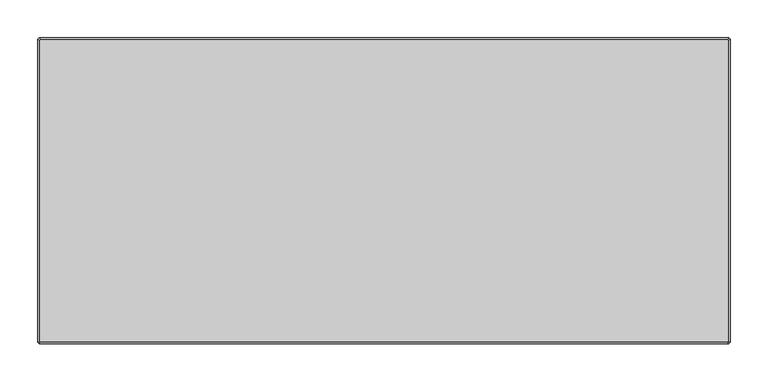
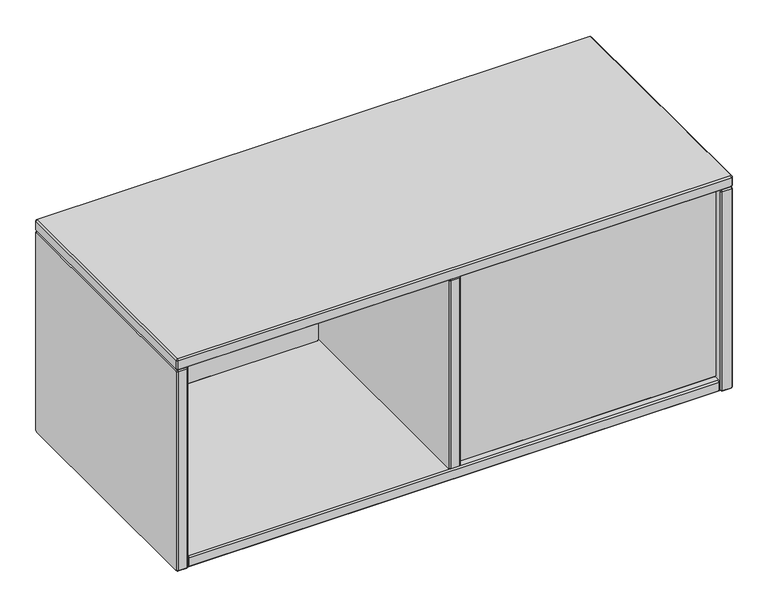
"""IFC4 building model written with IfcOpenShell, lengths in millimetres: furniture geometry."""

from ifc_helpers import new_model, si_unit, origin, place, context, project, spatial, faceted_brep, source, transform, mapped, element, save


def furniture_a7ba03a4(model_context):
    return source(origin(), model_context, "Body", "Brep", [
        faceted_brep([(468.629997, -211.044618, 1077.0882749), (470.6620027, -209.0126123, 1077.9299592), (471.5093, -209.0126135, 1077.0826604), (470.6676165, -211.044618, 1075.0506555), (470.6676165, -226.2846087, 1075.0506555), (468.629997, -226.2846087, 1077.0882749), (471.5093008, -228.3166144, 1077.0826612), (470.6620019, -228.3166132, 1077.9299584), (891.8344233, -209.0126135, 1077.08266), (892.6761077, -211.044618, 1075.0506555), (892.6761077, -226.2846087, 1075.0506555), (891.8344233, -228.3166144, 1077.0826612), (892.6830011, -209.0126135, 1077.9312373), (894.715006, -211.044618, 1077.0895538), (894.715006, -226.2846087, 1077.0895538), (892.6830003, -228.3166144, 1077.9312381), (892.6830014, -209.0126135, 1402.6848402), (894.715006, -211.044618, 1403.5265245), (894.715006, -226.2846087, 1403.5265245), (892.6830003, -228.3166144, 1402.6848402), (891.8357129, -209.0126135, 1403.5321292), (892.6773964, -211.044618, 1405.5641341), (892.6773964, -226.2846087, 1405.5641341), (891.8357121, -228.3166144, 1403.5321284), (471.508012, -209.0126135, 1403.5321295), (470.6663277, -211.044618, 1405.5641341), (470.6663277, -226.2846087, 1405.5641341), (471.508012, -228.3166144, 1403.5321284), (470.6620019, -209.0126135, 1402.6861198), (468.629997, -211.044618, 1403.5278034), (468.629997, -226.2846087, 1403.5278034), (470.6620027, -228.3166144, 1402.686119)], [[[0, 1, 2, 3]], [[0, 3, 4, 5]], [[5, 4, 6, 7]], [[3, 2, 8, 9]], [[4, 3, 9, 10]], [[6, 4, 10, 11]], [[9, 8, 12, 13]], [[10, 9, 13, 14]], [[11, 10, 14, 15]], [[13, 12, 16, 17]], [[14, 13, 17, 18]], [[15, 14, 18, 19]], [[17, 16, 20, 21]], [[18, 17, 21, 22]], [[19, 18, 22, 23]], [[21, 20, 24, 25]], [[22, 21, 25, 26]], [[23, 22, 26, 27]], [[25, 24, 28, 29]], [[26, 25, 29, 30]], [[27, 26, 30, 31]], [[1, 0, 29, 28]], [[0, 5, 30, 29]], [[5, 7, 31, 30]], [[2, 1, 28, 24, 20, 16, 12, 8]], [[7, 6, 11, 15, 19, 23, 27, 31]]]),
        faceted_brep([(19.684994, 148.8452595, 1077.0882749), (21.7169997, 150.8772652, 1077.9299592), (22.5642978, 150.8772652, 1077.0826612), (21.7226135, 148.8452595, 1075.0506555), (21.7226135, 133.6052689, 1075.0506555), (19.684994, 133.6052689, 1077.0882749), (22.5642978, 131.5732632, 1077.0826612), (21.7169981, 131.5732654, 1077.9299576), (446.4454203, 150.8772652, 1077.0826612), (447.2871047, 148.8452595, 1075.0506555), (447.2871047, 133.6052689, 1075.0506555), (446.4454203, 131.5732632, 1077.0826612), (447.2939973, 150.8772652, 1077.9312381), (449.326003, 148.8452595, 1077.0895538), (449.326003, 133.6052689, 1077.0895538), (447.2939973, 131.5732632, 1077.9312381), (447.2939973, 150.8772652, 1402.6848402), (449.326003, 148.8452595, 1403.5265245), (449.326003, 133.6052689, 1403.5265245), (447.2939973, 131.5732632, 1402.6848402), (446.4467091, 150.8772652, 1403.5321284), (447.2883934, 148.8452595, 1405.5641341), (447.2883934, 133.6052689, 1405.5641341), (446.4467091, 131.5732632, 1403.5321284), (22.5630091, 150.8772652, 1403.5321284), (21.7213247, 148.8452595, 1405.5641341), (21.7213247, 133.6052689, 1405.5641341), (22.5630091, 131.5732632, 1403.5321284), (21.7169997, 150.8772652, 1402.686119), (19.684994, 148.8452595, 1403.5278034), (19.684994, 133.6052689, 1403.5278034), (21.7169997, 131.5732632, 1402.686119)], [[[0, 1, 2, 3]], [[0, 3, 4, 5]], [[5, 4, 6, 7]], [[3, 2, 8, 9]], [[4, 3, 9, 10]], [[6, 4, 10, 11]], [[9, 8, 12, 13]], [[10, 9, 13, 14]], [[11, 10, 14, 15]], [[13, 12, 16, 17]], [[14, 13, 17, 18]], [[15, 14, 18, 19]], [[17, 16, 20, 21]], [[18, 17, 21, 22]], [[19, 18, 22, 23]], [[21, 20, 24, 25]], [[22, 21, 25, 26]], [[23, 22, 26, 27]], [[25, 24, 28, 29]], [[26, 25, 29, 30]], [[27, 26, 30, 31]], [[1, 0, 29, 28]], [[0, 5, 30, 29]], [[5, 7, 31, 30]], [[2, 1, 28, 24, 20, 16, 12, 8]], [[7, 6, 11, 15, 19, 23, 27, 31]]]),
        faceted_brep([(0.381, 160.1899826, 1403.5321289), (0.381, 161.0359948, 1402.6861167), (0.381, 161.0359948, 1060.6585981), (0.381, 158.1641576, 1057.7805146), (0.381, -237.6617899, 1057.7773915), (0.381, -238.507861, 1058.6234626), (0.381, -238.5047378, 1402.6861258), (0.381, -237.6587347, 1403.5321289), (19.6849994, 161.035991, 1402.6861129), (19.6849994, 160.1899788, 1403.5321251), (19.6849994, -237.6587347, 1403.5321235), (19.6849994, -238.504734, 1402.686122), (19.6849994, -238.5047325, 1058.6265857), (19.6849994, -237.6649092, 1057.7805184), (19.6849994, 158.1610344, 1057.7773968), (19.6849994, 161.0391141, 1060.6554788), (2.4130052, 163.068, 1403.5278008), (2.4130052, 161.0316667, 1405.5641341), (17.6529888, 161.0316667, 1405.5641341), (17.6529888, 163.068, 1403.5278008), (2.4130052, -238.5004189, 1405.5641341), (17.6529888, -238.5004189, 1405.5641341), (2.4130052, -240.5367431, 1403.5278099), (17.6529888, -240.5367431, 1403.5278099), (2.4130052, -240.5367431, 1057.7786553), (17.6529888, -240.5367431, 1057.7786553), (2.4130052, -238.503474, 1055.7453862), (17.6529888, -238.503474, 1055.7453862), (2.4130052, 159.0027185, 1055.7453862), (17.6529888, 159.0027185, 1055.7453862), (2.4130052, 163.068, 1059.8106677), (17.6529888, 163.068, 1059.8106677)], [[[0, 1, 2, 3, 4, 5, 6, 7]], [[8, 9, 10, 11, 12, 13, 14, 15]], [[16, 1, 0, 17]], [[16, 17, 18, 19]], [[19, 18, 9, 8]], [[17, 0, 7, 20]], [[18, 17, 20, 21]], [[9, 18, 21, 10]], [[20, 7, 6, 22]], [[21, 20, 22, 23]], [[10, 21, 23, 11]], [[22, 6, 5, 24]], [[23, 22, 24, 25]], [[11, 23, 25, 12]], [[24, 5, 4, 26]], [[25, 24, 26, 27]], [[12, 25, 27, 13]], [[26, 4, 3, 28]], [[27, 26, 28, 29]], [[13, 27, 29, 14]], [[28, 3, 2, 30]], [[29, 28, 30, 31]], [[14, 29, 31, 15]], [[1, 16, 30, 2]], [[16, 19, 31, 30]], [[19, 8, 15, 31]]]),
        faceted_brep([(468.6300073, 159.0039823, 1402.6861094), (468.6300073, 158.1579701, 1403.5321216), (468.6300073, -235.5967084, 1403.5321186), (468.6300073, -236.4427043, 1402.6854873), (468.6300073, -236.4420701, 1077.9256086), (468.6300073, -235.5994407, 1077.0829835), (468.6300073, 156.1290292, 1077.0826709), (468.6300073, 159.0039823, 1079.9576283), (449.3253716, 158.157531, 1403.5316824), (449.3253716, 159.0035431, 1402.6856703), (449.3253716, 159.0033582, 1079.957621), (449.3253716, 156.1285828, 1077.0831071), (449.3253716, -235.5991324, 1077.083292), (449.3253716, -236.4413183, 1077.9257395), (449.3253716, -236.441449, 1402.6861258), (449.3253716, -235.5959464, 1403.5313668), (451.3580082, 161.0359948, 1403.5278008), (451.3580082, 158.9996615, 1405.5641341), (466.5979918, 158.9996615, 1405.5641341), (466.5979918, 161.0359948, 1403.5278008), (451.3580082, -236.4377614, 1405.5641341), (466.5979918, -236.4377614, 1405.5641341), (451.3580082, -238.4740856, 1403.5278099), (466.5979918, -238.4740856, 1403.5278099), (451.3580082, -238.4740856, 1077.0839245), (466.5979918, -238.4740856, 1077.0839245), (451.3580082, -236.4408165, 1075.0506555), (466.5979918, -236.4408165, 1075.0506555), (451.3580082, 156.9707133, 1075.0506555), (466.5979918, 156.9707133, 1075.0506555), (451.3580082, 161.0359948, 1079.1159369), (466.5979918, 161.0359948, 1079.1159369)], [[[0, 1, 2, 3, 4, 5, 6, 7]], [[8, 9, 10, 11, 12, 13, 14, 15]], [[16, 9, 8, 17]], [[16, 17, 18, 19]], [[19, 18, 1, 0]], [[17, 8, 15, 20]], [[18, 17, 20, 21]], [[1, 18, 21, 2]], [[20, 15, 14, 22]], [[21, 20, 22, 23]], [[2, 21, 23, 3]], [[22, 14, 13, 24]], [[23, 22, 24, 25]], [[3, 23, 25, 4]], [[24, 13, 12, 26]], [[25, 24, 26, 27]], [[4, 25, 27, 5]], [[26, 12, 11, 28]], [[27, 26, 28, 29]], [[5, 27, 29, 6]], [[28, 11, 10, 30]], [[29, 28, 30, 31]], [[6, 29, 31, 7]], [[9, 16, 30, 10]], [[16, 19, 31, 30]], [[19, 0, 7, 31]]]),
        faceted_brep([(911.9869948, 163.0679927, 1403.5277978), (896.7470112, 163.0679927, 1403.5277978), (896.7470112, 161.0316637, 1405.5641268), (911.9869948, 161.0316637, 1405.5641268), (896.7470112, -238.5004158, 1405.5641268), (911.9869948, -238.5004158, 1405.5641268), (896.7470112, -240.5367358, 1403.5278069), (911.9869948, -240.5367358, 1403.5278069), (896.7470112, -240.5367358, 1057.7730446), (911.9869948, -240.5367358, 1057.7730446), (896.7470112, -238.503471, 1055.7397798), (911.9869948, -238.503471, 1055.7397798), (896.7470112, 159.0027155, 1055.7397798), (911.9869948, 159.0027155, 1055.7397798), (896.7470112, 163.0679927, 1059.805057), (911.9869948, 163.0679927, 1059.805057), (914.019, 160.1899796, 1403.5321216), (914.019, 161.0359875, 1402.6861137), (894.715006, 161.0359875, 1402.6861137), (894.7150097, 160.1899822, 1403.5321242), (914.019, -237.6587317, 1403.5321216), (894.7150097, -237.6587317, 1403.5321253), (914.019, -238.5047305, 1402.6861227), (894.7150097, -238.5047332, 1402.6861254), (914.019, -238.5047305, 1058.6147287), (894.7150097, -238.5047343, 1058.6147287), (914.019, -237.6617868, 1057.771785), (894.7150097, -237.6617895, 1057.7717824), (914.019, 158.1610314, 1057.771785), (894.7150097, 158.1610314, 1057.7717813), (914.019, 161.0359875, 1060.6467411), (894.7150097, 161.0359901, 1060.6467385)], [[[0, 1, 2, 3]], [[3, 2, 4, 5]], [[5, 4, 6, 7]], [[7, 6, 8, 9]], [[9, 8, 10, 11]], [[11, 10, 12, 13]], [[13, 12, 14, 15]], [[1, 0, 15, 14]], [[0, 3, 16, 17]], [[2, 1, 18, 19]], [[3, 5, 20, 16]], [[4, 2, 19, 21]], [[5, 7, 22, 20]], [[6, 4, 21, 23]], [[7, 9, 24, 22]], [[8, 6, 23, 25]], [[9, 11, 26, 24]], [[10, 8, 25, 27]], [[11, 13, 28, 26]], [[12, 10, 27, 29]], [[13, 15, 30, 28]], [[14, 12, 29, 31]], [[15, 0, 17, 30]], [[1, 14, 31, 18]], [[19, 18, 31, 29, 27, 25, 23, 21]], [[17, 16, 20, 22, 24, 26, 28, 30]]]),
        faceted_brep([(2.4142691, 160.1937872, 1405.5641341), (0.381, 161.0359948, 1407.5974031), (2.4130052, 163.068, 1407.5974031), (3.2552128, 161.0347309, 1405.5641341), (0.381, 161.0359948, 1422.8305205), (2.4142691, 160.1937872, 1424.8637895), (3.2552128, 161.0347309, 1424.8637895), (2.4130052, 163.068, 1422.8305205), (911.9869875, 163.068, 1407.5974031), (911.1447799, 161.0347309, 1405.5641341), (911.1447799, 161.0347309, 1424.8637895), (911.9869875, 163.068, 1422.8305205), (914.019, 161.0359875, 1407.5974031), (911.9857309, 160.1937799, 1405.5641341), (911.9857309, 160.1937799, 1424.8637895), (914.019, 161.0359875, 1422.8305205), (914.019, -238.5047363, 1407.5974031), (911.9857309, -237.6625286, 1405.5641341), (911.9857309, -237.6625286, 1424.8637895), (914.019, -238.5047363, 1422.8305205), (911.9869932, -240.5367431, 1407.5974031), (911.1447856, -238.503474, 1405.5641341), (911.1447856, -238.503474, 1424.8637895), (911.9869932, -240.5367431, 1422.8305205), (2.413, -240.5367431, 1407.5974031), (3.2552076, -238.503474, 1405.5641341), (3.2552076, -238.503474, 1424.8637895), (2.413, -240.5367431, 1422.8305205), (0.381, -238.5047431, 1407.5974031), (2.4142691, -237.6625355, 1405.5641341), (2.4142691, -237.6625355, 1424.8637895), (0.381, -238.5047431, 1422.8305205)], [[[0, 1, 2, 3]], [[4, 5, 6, 7]], [[2, 1, 4, 7]], [[3, 2, 8, 9]], [[7, 6, 10, 11]], [[2, 7, 11, 8]], [[9, 8, 12, 13]], [[11, 10, 14, 15]], [[8, 11, 15, 12]], [[13, 12, 16, 17]], [[15, 14, 18, 19]], [[12, 15, 19, 16]], [[17, 16, 20, 21]], [[19, 18, 22, 23]], [[16, 19, 23, 20]], [[21, 20, 24, 25]], [[23, 22, 26, 27]], [[20, 23, 27, 24]], [[25, 24, 28, 29]], [[27, 26, 30, 31]], [[24, 27, 31, 28]], [[1, 0, 29, 28]], [[5, 4, 31, 30]], [[4, 1, 28, 31]], [[6, 5, 30, 26, 22, 18, 14, 10]], [[0, 3, 9, 13, 17, 21, 25, 29]]]),
        faceted_brep([(21.7182631, 160.1937872, 1055.751), (19.684994, 161.0359948, 1057.7842691), (21.7169992, 163.068, 1057.7842691), (22.5592069, 161.0347309, 1055.751), (19.684994, 161.0359948, 1073.0173864), (21.7182631, 160.1937872, 1075.0506555), (22.5631764, 161.0307614, 1075.0562692), (21.7169992, 163.068, 1073.0173864), (892.6829972, 163.068, 1057.7842691), (891.8407896, 161.0347309, 1055.751), (891.8407896, 161.0291172, 1075.0562692), (892.6829972, 163.068, 1073.0173864), (894.7150097, 161.0359875, 1057.7842691), (892.6817406, 160.1937799, 1055.751), (892.6777711, 160.1898103, 1075.0562692), (894.7150097, 161.0359875, 1073.0173864), (894.7150097, -236.4420788, 1057.7842691), (892.6817406, -235.5998711, 1055.751), (892.6761269, -235.5998711, 1075.0562692), (894.7150097, -236.4420788, 1073.0173864), (892.6830029, -238.4740856, 1057.7842691), (891.8407953, -236.4408165, 1055.751), (891.8368258, -236.436847, 1075.0562692), (892.6830029, -238.4740856, 1073.0173864), (21.716994, -238.4740856, 1057.7842691), (22.5592016, -236.4408165, 1055.751), (22.5592016, -236.4352027, 1075.0562692), (21.716994, -238.4740856, 1073.0173864), (19.684994, -236.4420856, 1057.7842691), (21.7182631, -235.599878, 1055.751), (21.7222326, -235.5959084, 1075.0562692), (19.684994, -236.4420856, 1073.0173864)], [[[0, 1, 2, 3]], [[4, 5, 6, 7]], [[2, 1, 4, 7]], [[3, 2, 8, 9]], [[7, 6, 10, 11]], [[2, 7, 11, 8]], [[9, 8, 12, 13]], [[11, 10, 14, 15]], [[8, 11, 15, 12]], [[13, 12, 16, 17]], [[15, 14, 18, 19]], [[12, 15, 19, 16]], [[17, 16, 20, 21]], [[19, 18, 22, 23]], [[16, 19, 23, 20]], [[21, 20, 24, 25]], [[23, 22, 26, 27]], [[20, 23, 27, 24]], [[25, 24, 28, 29]], [[27, 26, 30, 31]], [[24, 27, 31, 28]], [[1, 0, 29, 28]], [[5, 4, 31, 30]], [[4, 1, 28, 31]], [[6, 5, 30, 26, 22, 18, 14, 10]], [[0, 3, 9, 13, 17, 21, 25, 29]]]),
    ])


if __name__ == "__main__":
    model = new_model("IFC4")
    model_context = context("Model", 3, world=origin())
    ifc_project = project(units=[si_unit("LENGTHUNIT", "METRE", prefix="MILLI")], contexts=[model_context])
    site = spatial("IfcSite", under=ifc_project)
    building = spatial("IfcBuilding", under=site)
    placement = place(None, origin())
    furniture_shape = furniture_a7ba03a4(model_context)
    element("IfcFurniture", 1, at=placement, inside=building, context=model_context, shape_type="MappedRepresentation", body=[
        mapped(furniture_shape, transform((0.0, 0.0, 0.0), x_axis=(1.0, 0.0, 0.0), y_axis=(0.0, 1.0, 0.0), z_axis=(0.0, 0.0, 1.0))),
    ])
    save(model, "model.ifc")
